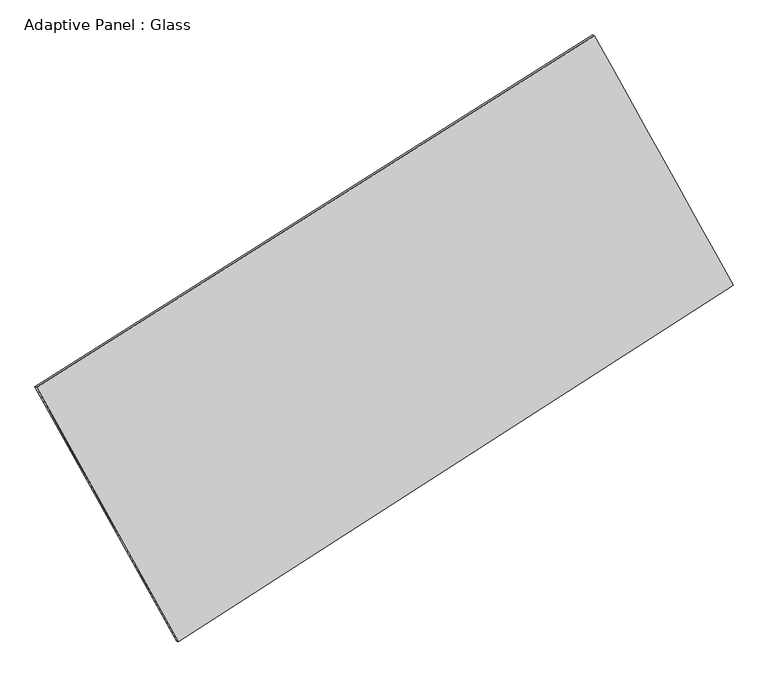
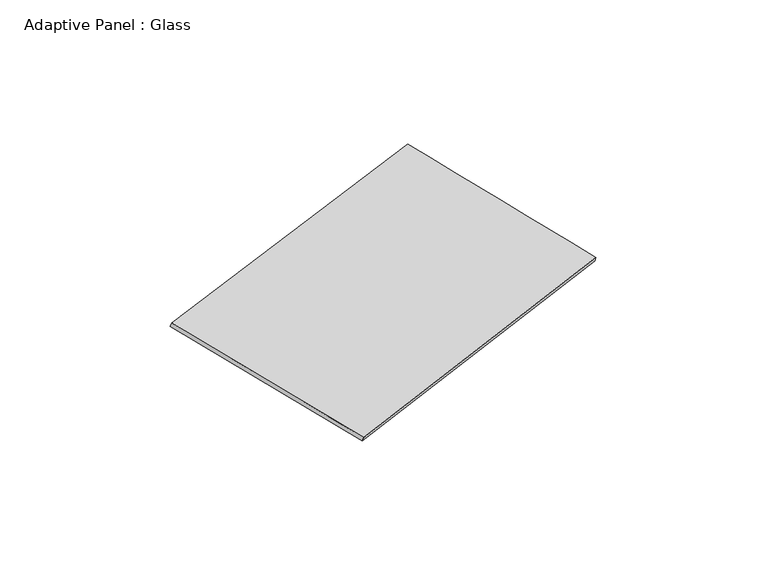
"""IFC4 building model written with IfcOpenShell, lengths in millimetres: plate geometry, Adaptive Panel : Glass."""

from ifc_helpers import new_model, si_unit, frame, origin, place, context, project, spatial, source, transform, mapped, element, save
from ifc_brep_helpers import plane_surface, spline_surface, advanced_brep


def adaptive_panel_glass_910c317a(model_context):
    return source(origin(), model_context, "Body", "AdvancedBrep", [
        advanced_brep(
        [(1179.7752945, 2545.4020136, 663.4437085), (-3709.420886, -537.360815, 1756.7404597), (-3694.7545301, -543.7409085, 1804.1133677), (1194.4416503, 2539.0219202, 710.8166165), (-2468.1787704, -2767.5533642, 1077.2384583), (-2453.5124146, -2773.9334577, 1124.6113663), (2394.5337838, 359.2635927, -12.3001062), (2409.2001396, 352.8834992, 35.0728018)],
        [
            (0, 1),
            (1, 2),
            (2, 3),
            (3, 0),
            (1, 4),
            (4, 5),
            (5, 2),
            (4, 6),
            (6, 7),
            (7, 5),
            (6, 0),
            (3, 7),
        ],
        [
            plane_surface(frame((-1264.8227957, 1004.0205993, 1210.0920841), z_axis=(-0.4728120559674201, 0.84199990286757, 0.2597786043977912), x_axis=(-0.8311526904062773, -0.5240629593033032, 0.18585806390004042))),
            plane_surface(frame((-3088.7998282, -1652.4570896, 1416.989459), z_axis=(-0.8328365543038077, -0.5207183700686148, 0.18771162161263805), x_axis=(0.4699462292713987, -0.8443723959278542, -0.2572660074488062))),
            plane_surface(frame((-36.8224933, -1204.1448857, 532.469176), z_axis=(0.47994004156849407, -0.8374611222314974, -0.26137410975456876), x_axis=(0.8265658774238416, 0.5314976307377454, -0.18520021273939796))),
            plane_surface(frame((1787.1545391, 1452.3328032, 325.5718012), z_axis=(0.832804335068724, 0.5207763055056436, -0.18769384410425802), x_axis=(-0.4689009857634343, 0.8438570050017579, 0.26083945380164997))),
            spline_surface(1, 1, [[(-3694.7545301, -543.7409085, 1804.1133677), (1194.4416503, 2539.0219202, 710.8166165)], [(-2453.5124146, -2773.9334577, 1124.6113663), (2409.2001396, 352.8834992, 35.0728018)]], [2, 2], [2, 2], [0.0, 1.0], [0.0, 1.0]),
            spline_surface(1, 1, [[(2394.5337838, 359.2635927, -12.3001062), (1179.7752945, 2545.4020136, 663.4437085)], [(-2468.1787704, -2767.5533642, 1077.2384583), (-3709.420886, -537.360815, 1756.7404597)]], [2, 2], [2, 2], [0.0, 1.0], [0.0, 1.0]),
        ],
        [
            (0, [[1, 2, 3, 4]]),
            (1, [[5, 6, 7, -2]]),
            (2, [[8, 9, 10, -6]]),
            (3, [[11, -4, 12, -9]]),
            (4, [[-3, -7, -10, -12]]),
            (5, [[-11, -8, -5, -1]]),
        ],
    ),
    ])


if __name__ == "__main__":
    model = new_model("IFC4")
    model_context = context("Model", 3, world=origin())
    ifc_project = project(units=[si_unit("LENGTHUNIT", "METRE", prefix="MILLI")], contexts=[model_context])
    site = spatial("IfcSite", under=ifc_project)
    building = spatial("IfcBuilding", under=site)
    placement = place(None, origin())
    adaptive_panel_glass_shape = adaptive_panel_glass_910c317a(model_context)
    element("IfcPlate", 1, ObjectType="Adaptive Panel : Glass", at=placement, inside=building, context=model_context, shape_type="MappedRepresentation", body=[
        mapped(adaptive_panel_glass_shape, transform((0.0, 0.0, 0.0), x_axis=(1.0, 0.0, 0.0), y_axis=(0.0, 1.0, 0.0), z_axis=(0.0, 0.0, 1.0))),
    ])
    save(model, "model.ifc")
